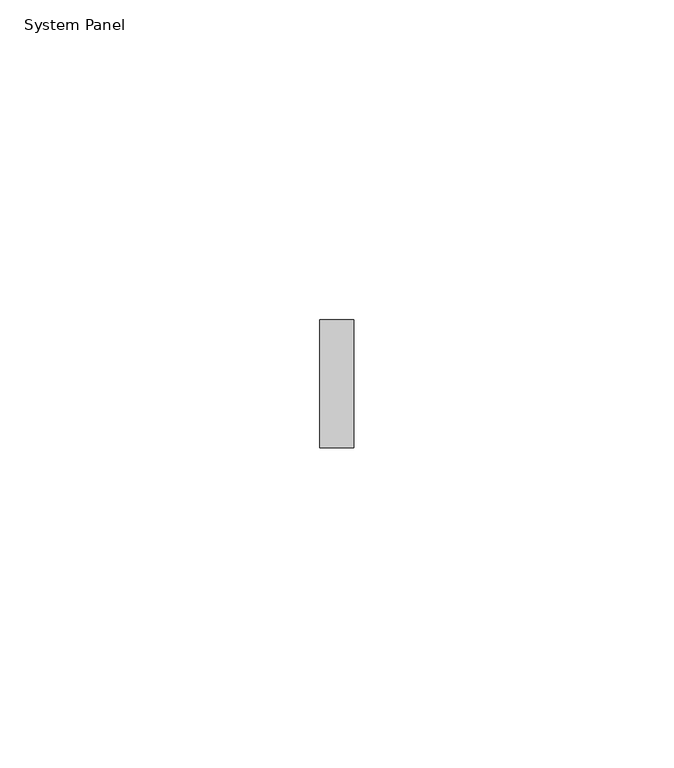
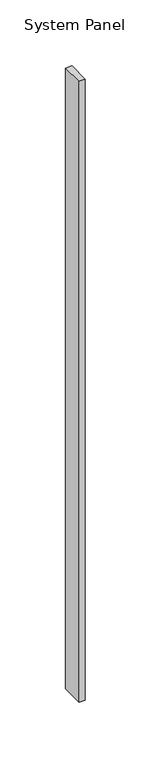
"""IFC4 building model written with IfcOpenShell, lengths in millimetres: plate geometry, System Panel."""

from ifc_helpers import new_model, si_unit, frame, origin, place, context, project, spatial, polyline, outline, extrude, source, transform, mapped, element, save


def system_panel_56fc8a77(model_context):
    return source(origin(), model_context, "Body", "SweptSolid", [
        extrude(outline(polyline([(0.0, -2.6778561), (0.0, 2.6778561), (574.80967, 2.6778561), (574.4154637, -2.6778561), (0.0, -2.6778561)])), frame((0.0, -10.0, 0.0), z_axis=(0.0, 1.0, 0.0), x_axis=(0.0, 0.0, 1.0)), (0.0, 0.0, 1.0), 20.0),
    ])


if __name__ == "__main__":
    model = new_model("IFC4")
    model_context = context("Model", 3, world=origin())
    ifc_project = project(units=[si_unit("LENGTHUNIT", "METRE", prefix="MILLI")], contexts=[model_context])
    site = spatial("IfcSite", under=ifc_project)
    building = spatial("IfcBuilding", under=site)
    placement = place(None, origin())
    system_panel_shape = system_panel_56fc8a77(model_context)
    element("IfcPlate", 1, ObjectType="System Panel", at=placement, inside=building, context=model_context, shape_type="MappedRepresentation", body=[
        mapped(system_panel_shape, transform((0.0, 0.0, 0.0), x_axis=(1.0, 0.0, 0.0), y_axis=(0.0, 1.0, 0.0), z_axis=(0.0, 0.0, 1.0))),
    ])
    save(model, "model.ifc")
